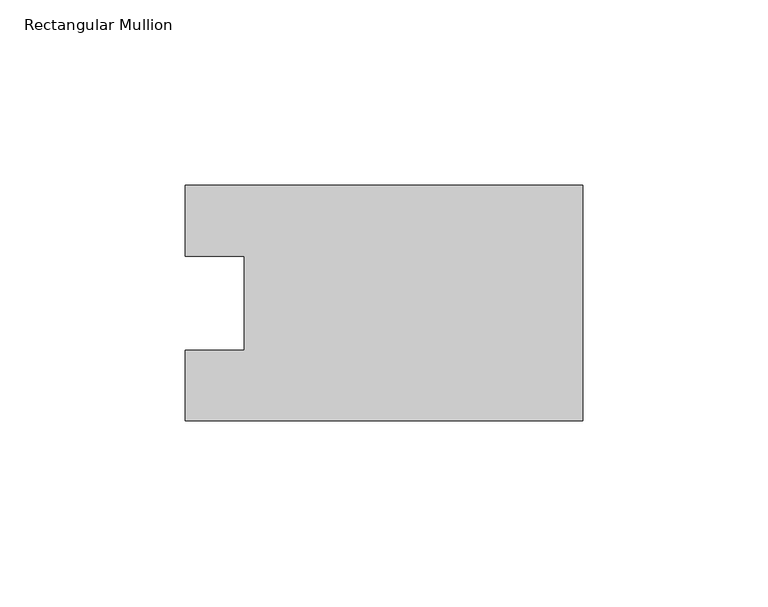
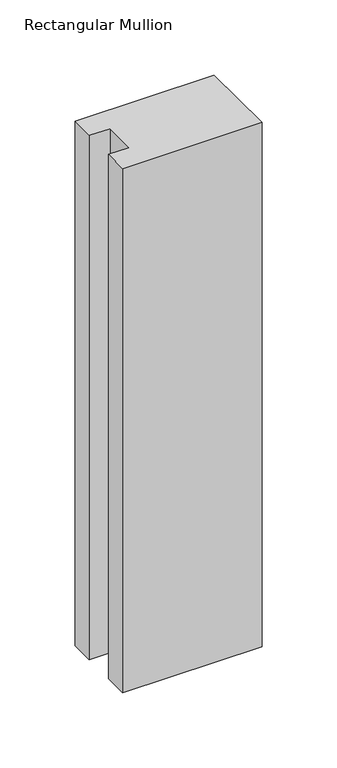
"""IFC4 building model written with IfcOpenShell, lengths in millimetres: member geometry, Rectangular Mullion."""

from ifc_helpers import new_model, si_unit, frame, origin, place, context, project, spatial, polyline, outline, extrude, source, transform, mapped, element, save


def rectangular_mullion_55056c86(model_context):
    return source(origin(), model_context, "Body", "SweptSolid", [
        extrude(outline(polyline([(0.0, 31.7489583), (0.0, -31.7489583), (-107.0607968, -31.7489583), (-107.0607968, -12.7), (-91.1857968, -12.7), (-91.1857968, 12.7), (-107.0607968, 12.7), (-107.0607968, 31.7489583), (0.0, 31.7489583)])), frame((0.0, 0.0, -426.0287896), z_axis=(0.0, 0.0, 1.0), x_axis=(1.0, 0.0, 0.0)), (0.0, 0.0, 1.0), 426.0287896),
    ])


if __name__ == "__main__":
    model = new_model("IFC4")
    model_context = context("Model", 3, world=origin())
    ifc_project = project(units=[si_unit("LENGTHUNIT", "METRE", prefix="MILLI")], contexts=[model_context])
    site = spatial("IfcSite", under=ifc_project)
    building = spatial("IfcBuilding", under=site)
    placement = place(None, origin())
    rectangular_mullion_shape = rectangular_mullion_55056c86(model_context)
    element("IfcMember", 1, ObjectType="Rectangular Mullion", at=placement, inside=building, context=model_context, shape_type="MappedRepresentation", body=[
        mapped(rectangular_mullion_shape, transform((0.0, 0.0, 0.0), x_axis=(1.0, 0.0, 0.0), y_axis=(0.0, 1.0, 0.0), z_axis=(0.0, 0.0, 1.0))),
    ])
    save(model, "model.ifc")
